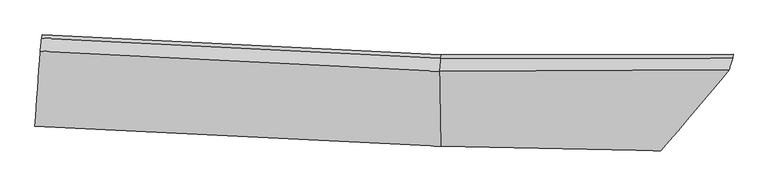
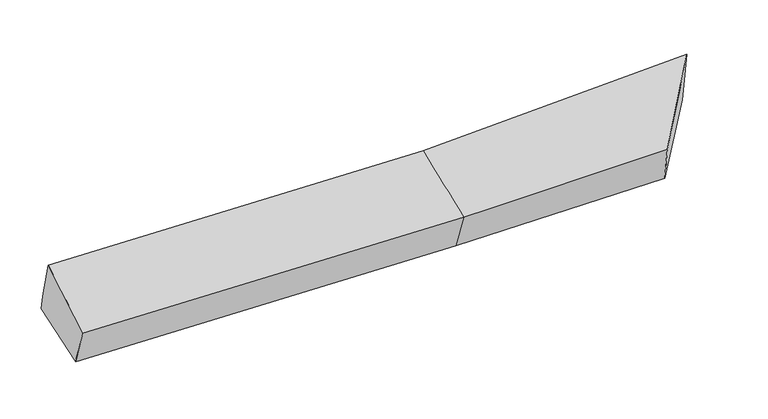
"""IFC4 building model written with IfcOpenShell, lengths in millimetres: proxy geometry."""

from ifc_helpers import new_model, si_unit, frame, origin, place, context, project, spatial, source, transform, mapped, element, save
from ifc_brep_helpers import plane_surface, spline_surface, advanced_brep


def generic_models_9360f4eb(model_context):
    return source(origin(), model_context, "Body", "AdvancedBrep", [
        advanced_brep(
        [(-3072.8398431, -1940.2441326, 2059.376143), (-3058.3977412, -1794.2431557, 1684.1771918), (414.0436037, -1966.9178734, 1723.7311644), (405.5758769, -2113.1216333, 2099.0335369), (-3011.9426538, -1158.0077584, 1808.8625721), (406.5403882, -1328.8510173, 1847.4824831), (-3015.3441168, -1185.6466117, 1951.1633938), (403.1389253, -1356.4898706, 1989.7833047), (-3027.2197894, -1296.7635315, 2331.1325167), (394.3119426, -1467.7102694, 2369.8052029), (2908.36216, -1357.7634846, 2075.7802123), (2878.2986454, -1457.9315907, 2453.298284), (2294.1432553, -2151.6974578, 2138.5739572), (2340.5599961, -2030.3479849, 1759.119398), (2912.33233, -1325.5035574, 1909.6874263)],
        [
            (0, 1),
            (1, 2),
            (2, 3),
            (3, 0),
            (1, 4),
            (4, 5),
            (5, 1),
            (4, 6),
            (6, 7),
            (7, 5),
            (6, 8),
            (8, 9),
            (9, 7),
            (8, 0),
            (3, 9),
            (10, 11),
            (11, 12),
            (12, 13),
            (13, 14),
            (14, 10),
            (5, 2),
            (9, 11),
            (10, 7),
            (3, 12),
            (2, 13),
            (5, 14),
        ],
        [
            spline_surface(1, 1, [[(-3072.8398431, -1940.2441326, 2059.376143), (405.5758769, -2113.1216333, 2099.0335369)], [(-3058.3977412, -1794.2431557, 1684.1771918), (414.0436037, -1966.9178734, 1723.7311644)]], [2, 2], [2, 2], [0.0, 1.0], [0.0, 1.0]),
            plane_surface(frame((-3035.1701975, -1476.125457, 1746.519882), z_axis=(0.020624028954009933, 0.19082415691599255, -0.9814075557927018), x_axis=(0.07146936514156728, 0.9788236881697098, 0.19182366205478488))),
            plane_surface(frame((-3013.6433853, -1171.827185, 1880.012983), z_axis=(0.046831357565238006, 0.9803679383596186, 0.1915346688855786), x_axis=(-0.023458365157810662, -0.1906127813668171, 0.9813849767974486))),
            spline_surface(1, 1, [[(-3015.3441168, -1185.6466117, 1951.1633938), (403.1389253, -1356.4898706, 1989.7833047)], [(-3027.2197894, -1296.7635315, 2331.1325167), (394.3119426, -1467.7102694, 2369.8052029)]], [2, 2], [2, 2], [0.0, 1.0], [0.0, 1.0]),
            spline_surface(1, 1, [[(-3027.2197894, -1296.7635315, 2331.1325167), (394.3119426, -1467.7102694, 2369.8052029)], [(-3072.8398431, -1940.2441326, 2059.376143), (405.5758769, -2113.1216333, 2099.0335369)]], [2, 2], [2, 2], [0.0, 1.0], [0.0, 1.0]),
            plane_surface(frame((2666.7392773, -1664.6488151, 2067.2918556), z_axis=(0.7830694813680552, -0.6137618026004005, -0.10049197489686604), x_axis=(-0.0767442579790651, -0.25570287028218963, 0.9637044987944658))),
            plane_surface(frame((-3037.1488289, -1474.981038, 1966.9423635), z_axis=(-0.9971669042594553, 0.07463883076157252, -0.009338629029989061), x_axis=(0.06517150529391479, 0.9192580016248478, 0.38822339103461634))),
            plane_surface(frame((-3058.3977412, -1794.2431557, 1684.1771918), z_axis=(0.020657188925087153, 0.19059280442906532, -0.9814518141231273), x_axis=(-0.011543408528750541, 0.9816413171219988, 0.19038664406550637))),
            spline_surface(1, 1, [[(403.1389253, -1356.4898706, 1989.7833047), (2908.36216, -1357.7634846, 2075.7802123)], [(394.3119426, -1467.7102694, 2369.8052029), (2878.2986454, -1457.9315907, 2453.298284)]], [2, 2], [2, 2], [0.0, 1.0], [0.0, 1.0]),
            spline_surface(1, 1, [[(394.3119426, -1467.7102694, 2369.8052029), (2878.2986454, -1457.9315907, 2453.298284)], [(405.5758769, -2113.1216333, 2099.0335369), (2294.1432553, -2151.6974578, 2138.5739572)]], [2, 2], [2, 2], [0.0, 1.0], [0.0, 1.0]),
            spline_surface(1, 1, [[(405.5758769, -2113.1216333, 2099.0335369), (2294.1432553, -2151.6974578, 2138.5739572)], [(414.0436037, -1966.9178734, 1723.7311644), (2340.5599961, -2030.3479849, 1759.119398)]], [2, 2], [2, 2], [0.0, 1.0], [0.0, 1.0]),
            spline_surface(1, 1, [[(414.0436037, -1966.9178734, 1723.7311644), (2340.5599961, -2030.3479849, 1759.119398)], [(406.5403882, -1328.8510173, 1847.4824831), (2912.33233, -1325.5035574, 1909.6874263)]], [2, 2], [2, 2], [0.0, 1.0], [0.0, 1.0]),
            plane_surface(frame((404.8396567, -1342.670444, 1918.6328939), z_axis=(-0.00604101641881021, 0.981664218699669, 0.19052261767411324), x_axis=(-0.023458365157913746, -0.19061278136676646, 0.9813849767974561))),
        ],
        [
            (0, [[1, 2, 3, 4]]),
            (1, [[5, 6, 7]]),
            (2, [[8, 9, 10, -6]]),
            (3, [[11, 12, 13, -9]]),
            (4, [[14, -4, 15, -12]]),
            (5, [[16, 17, 18, 19, 20]]),
            (6, [[-14, -11, -8, -5, -1]]),
            (7, [[21, -2, -7]]),
            (8, [[-13, 22, -16, 23]]),
            (9, [[-15, 24, -17, -22]]),
            (10, [[-3, 25, -18, -24]]),
            (11, [[-21, 26, -19, -25]]),
            (12, [[-10, -23, -20, -26]]),
        ],
    ),
    ])


if __name__ == "__main__":
    model = new_model("IFC4")
    model_context = context("Model", 3, world=origin())
    ifc_project = project(units=[si_unit("LENGTHUNIT", "METRE", prefix="MILLI")], contexts=[model_context])
    site = spatial("IfcSite", under=ifc_project)
    building = spatial("IfcBuilding", under=site)
    placement = place(None, origin())
    generic_models_shape = generic_models_9360f4eb(model_context)
    element("IfcBuildingElementProxy", 1, Name="Generic Models", at=placement, inside=building, context=model_context, shape_type="MappedRepresentation", body=[
        mapped(generic_models_shape, transform((0.0, 0.0, 0.0), x_axis=(1.0, 0.0, 0.0), y_axis=(0.0, 1.0, 0.0), z_axis=(0.0, 0.0, 1.0))),
    ])
    save(model, "model.ifc")
